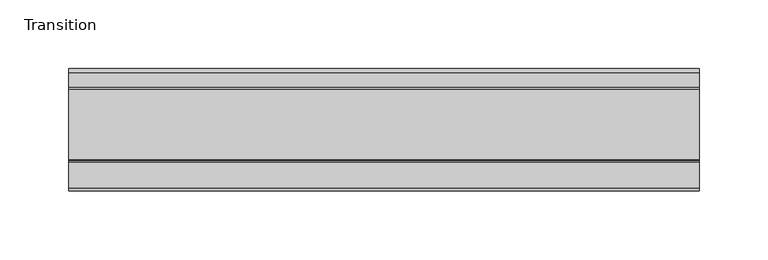
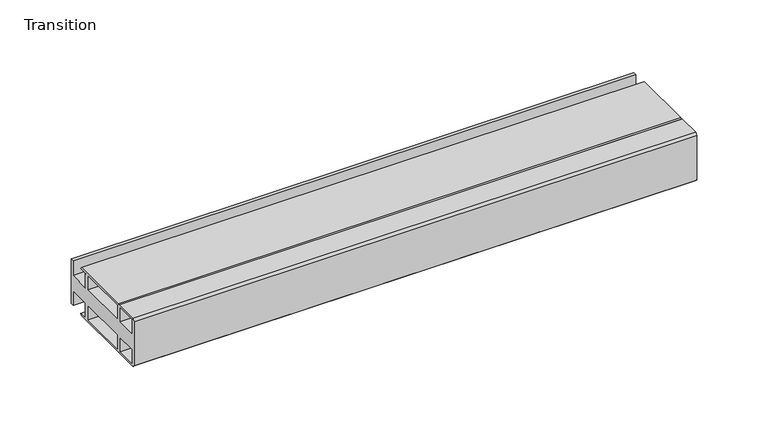
"""IFC4 building model written with IfcOpenShell, lengths in millimetres: furniture geometry, Transition."""

from ifc_helpers import new_model, si_unit, frame, origin, place, context, project, spatial, polyline, outline, extrude, source, transform, mapped, element, save


def transition_068d7108(model_context):
    return source(origin(), model_context, "Body", "SweptSolid", [
        extrude(outline(polyline([(-26.1481963, 6.6000002), (-8.7481957, 6.6000002), (-8.7481957, 19.05), (-5.4481956, 19.05), (-5.4481956, 6.6000002), (36.4518057, 6.6000002), (36.4518057, 19.05), (39.7518058, 19.05), (39.7518058, 6.6000002), (57.1518064, 6.6000002), (57.1518064, 19.05), (59.951805, 19.05), (59.951805, -19.05), (57.1518064, -19.05), (57.1518064, -6.6000002), (39.7518058, -6.6000002), (39.7518058, -19.05), (36.4518057, -19.05), (36.4518057, -6.6000002), (-5.4481956, -6.6000002), (-5.4481956, -19.05), (-8.7481957, -19.05), (-8.7481957, -6.6000002), (-26.1481963, -6.6000002), (-26.1481963, -19.4924102), (46.1177636, -19.4924102), (44.9726737, -20.6375), (-6.2135897, -20.6375), (-7.1219223, -19.7291674), (-8.0302549, -20.6375), (-27.0760904, -20.6375), (-28.948195, -19.05), (-28.948195, 19.05), (-27.0760904, 20.6375), (-8.0302549, 20.6375), (-7.1219223, 19.7291674), (-6.2135897, 20.6375), (44.9726737, 20.6375), (46.1177636, 19.4924102), (-26.1481963, 19.4924102), (-26.1481963, 6.6000002)])), frame((-198.6228469, 0.0, 0.0), z_axis=(1.0, 0.0, 0.0), x_axis=(0.0, 1.0, 0.0)), (0.0, 0.0, 1.0), 457.2),
    ])


if __name__ == "__main__":
    model = new_model("IFC4")
    model_context = context("Model", 3, world=origin())
    ifc_project = project(units=[si_unit("LENGTHUNIT", "METRE", prefix="MILLI")], contexts=[model_context])
    site = spatial("IfcSite", under=ifc_project)
    building = spatial("IfcBuilding", under=site)
    placement = place(None, origin())
    transition_shape = transition_068d7108(model_context)
    element("IfcFurniture", 1, ObjectType="Transition", at=placement, inside=building, context=model_context, shape_type="MappedRepresentation", body=[
        mapped(transition_shape, transform((0.0, 0.0, 0.0), x_axis=(1.0, 0.0, 0.0), y_axis=(0.0, 1.0, 0.0), z_axis=(0.0, 0.0, 1.0))),
    ])
    save(model, "model.ifc")
